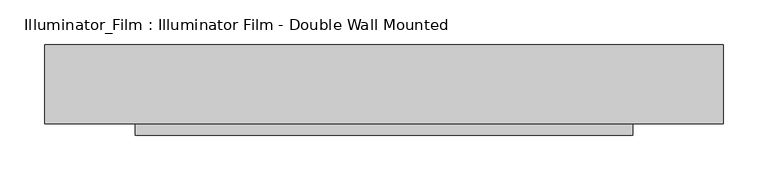
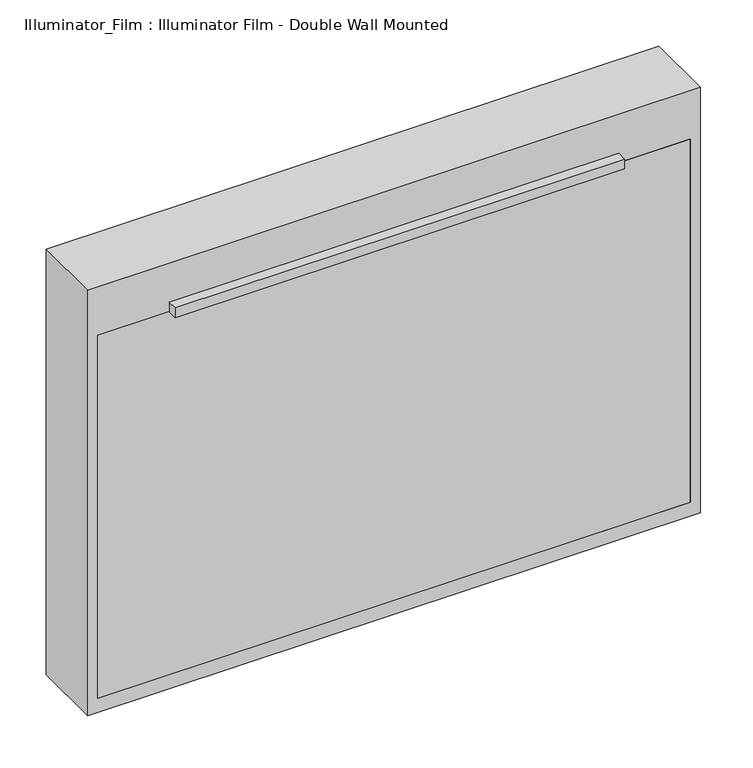
"""IFC4 building model written with IfcOpenShell, lengths in millimetres: proxy geometry, Illuminator_Film : Illuminator Film - Double Wall Mounted."""

import ifcopenshell
import ifcopenshell.guid

model = None  # the IFC model being written
_history = None  # IfcOwnerHistory: only IFC2X3 demands one
_inside = {}  # id of a spatial element -> (the spatial element, [elements in it])
_under = {}  # id of a project, library or spatial element -> (it, [spatial elements below it])
_declared = {}  # id of a project -> (the project, [libraries it declares])
_typed = {}  # id of a type object -> (the type object, [elements of that type])
_made_of = {}  # id of a material, layer set ... -> (it, [elements and type objects made of it])


def new_model(schema):
    """Start an empty IFC model of exactly this schema.

    Asked for "IFC4X3", IfcOpenShell would pick the latest addendum, in which some entities
    have other attributes; the version numbers below select the first issue.
    IFC2X3 requires an IfcOwnerHistory on every rooted entity: one is made here for all.
    """
    global model, _history
    if schema == "IFC4X3":
        model = ifcopenshell.file(schema_version=(4, 3, 0, 0))
    else:
        model = ifcopenshell.file(schema=schema)
    _inside.clear()
    _under.clear()
    _declared.clear()
    _typed.clear()
    _made_of.clear()
    _history = None
    if model.schema == "IFC2X3":
        org = make("IfcOrganization", Name="unknown")
        user = make(
            "IfcPersonAndOrganization",
            ThePerson=make("IfcPerson", FamilyName="unknown"),
            TheOrganization=org,
        )
        app = make(
            "IfcApplication",
            ApplicationDeveloper=org,
            Version="unknown",
            ApplicationFullName="unknown",
            ApplicationIdentifier="unknown",
        )
        _history = make(
            "IfcOwnerHistory",
            OwningUser=user,
            OwningApplication=app,
            ChangeAction="ADDED",
            CreationDate=0,
        )
    return model


def make(cls, **values):
    """One entity of the class cls with the attributes given. An attribute that is None is left unset."""
    return model.create_entity(
        cls, **{name: value for name, value in values.items() if value is not None}
    )


def rooted(cls, **values):
    """An entity with a GlobalId (a new one), such as an element, a storey or a relation."""
    return make(cls, GlobalId=ifcopenshell.guid.new(), OwnerHistory=_history, **values)


def si_unit(unit_type, name, prefix=None):
    """IfcSIUnit, for example si_unit("LENGTHUNIT", "METRE", prefix="MILLI")."""
    return make("IfcSIUnit", UnitType=unit_type, Prefix=prefix, Name=name)


def assignment(units):
    """IfcUnitAssignment: the units of a project."""
    return None if units is None else make("IfcUnitAssignment", Units=units)


def point(xyz):
    """IfcCartesianPoint."""
    return None if xyz is None else make("IfcCartesianPoint", Coordinates=xyz)


def direction(xyz):
    """IfcDirection."""
    return None if xyz is None else make("IfcDirection", DirectionRatios=xyz)


def frame(location, z_axis=None, x_axis=None):
    """IfcAxis2Placement3D, a coordinate frame: its origin and axes. An axis left out is left unset."""
    return make(
        "IfcAxis2Placement3D",
        Location=point(location),
        Axis=direction(z_axis),
        RefDirection=direction(x_axis),
    )


def origin():
    """The frame at (0, 0, 0) with its axes left unset."""
    return frame((0.0, 0.0, 0.0))


def place(relative_to, where):
    """IfcLocalPlacement: puts the frame where relative to a parent placement (None: the world)."""
    return make(
        "IfcLocalPlacement", PlacementRelTo=relative_to, RelativePlacement=where
    )


def context(
    kind, dimensions, precision=None, world=None, true_north=None, identifier=None
):
    """IfcGeometricRepresentationContext, for example the 3D "Model" context."""
    return make(
        "IfcGeometricRepresentationContext",
        ContextIdentifier=identifier,
        ContextType=kind,
        CoordinateSpaceDimension=dimensions,
        Precision=precision,
        WorldCoordinateSystem=world,
        TrueNorth=true_north,
    )


def project(units=None, contexts=None):
    """IfcProject with its units and contexts."""
    return rooted(
        "IfcProject",
        Name="project",
        RepresentationContexts=contexts,
        UnitsInContext=assignment(units),
    )


def spatial(cls, under=None, at=None, **own):
    """A site, building, storey or space (cls), placed at a placement, below another one or the project."""
    s = rooted(cls, ObjectPlacement=at, **own)
    if under is not None:
        _under.setdefault(under.id(), (under, []))[1].append(s)
    return s


def polyline(points):
    """IfcPolyline through the points."""
    return make("IfcPolyline", Points=[point(p) for p in points])


def outline(outer, holes=None, kind="AREA"):
    """IfcArbitraryClosedProfileDef: a profile drawn as a closed curve; with holes, ...WithVoids."""
    if holes is None:
        return make("IfcArbitraryClosedProfileDef", ProfileType=kind, OuterCurve=outer)
    return make(
        "IfcArbitraryProfileDefWithVoids",
        ProfileType=kind,
        OuterCurve=outer,
        InnerCurves=holes,
    )


def extrude(swept, where, along, depth):
    """IfcExtrudedAreaSolid: the profile swept, set in the frame where, extruded along a direction by depth."""
    return make(
        "IfcExtrudedAreaSolid",
        SweptArea=swept,
        Position=where,
        ExtrudedDirection=direction(along),
        Depth=depth,
    )


def shape(context_of_items, identifier, shape_type, items):
    """IfcShapeRepresentation: the items that make up one representation, for example the "Body"."""
    return make(
        "IfcShapeRepresentation",
        ContextOfItems=context_of_items,
        RepresentationIdentifier=identifier,
        RepresentationType=shape_type,
        Items=items,
    )


def source(mapping_origin, context_of_items, identifier, shape_type, items):
    """IfcRepresentationMap: a shape defined once, which mapped items show again and again."""
    return make(
        "IfcRepresentationMap",
        MappingOrigin=mapping_origin,
        MappedRepresentation=shape(context_of_items, identifier, shape_type, items),
    )


def transform(
    local_origin,
    x_axis=None,
    y_axis=None,
    z_axis=None,
    scale=None,
    scale2=None,
    scale3=None,
    uniform=True,
):
    """IfcCartesianTransformationOperator3D, or its non-uniform kind. x_axis, y_axis, z_axis: its Axis1, 2, 3."""
    if uniform:
        return make(
            "IfcCartesianTransformationOperator3D",
            Axis1=direction(x_axis),
            Axis2=direction(y_axis),
            LocalOrigin=point(local_origin),
            Scale=scale,
            Axis3=direction(z_axis),
        )
    return make(
        "IfcCartesianTransformationOperator3DnonUniform",
        Axis1=direction(x_axis),
        Axis2=direction(y_axis),
        LocalOrigin=point(local_origin),
        Scale=scale,
        Axis3=direction(z_axis),
        Scale2=scale2,
        Scale3=scale3,
    )


def mapped(mapping_source, mapping_target):
    """IfcMappedItem: shows the shape of a source again, moved by a transform."""
    return make(
        "IfcMappedItem", MappingSource=mapping_source, MappingTarget=mapping_target
    )


def made_of(thing, what):
    """Note that an element or type object is made of a material, layer set ...; save() writes the relation."""
    if what is not None:
        _made_of.setdefault(what.id(), (what, []))[1].append(thing)
    return thing


def element(
    cls,
    number,
    at=None,
    inside=None,
    cuts=None,
    type_object=None,
    material=None,
    context=None,
    identifier="Body",
    shape_type=None,
    held_by="IfcProductDefinitionShape",
    body=None,
    shapes=None,
    **own,
):
    """One element of the class cls, such as IfcWall. Its Tag is "e" and its number.

    at: its placement. inside: the storey or other place that contains it. cuts: it is an
    opening in that element (IfcRelVoidsElement). A single representation is given by context,
    identifier, shape_type and body (its items); several are given by shapes. held_by: the class
    of the entity that holds the representations. save() writes the other relations.
    """
    e = rooted(cls, Tag="e%d" % number, ObjectPlacement=at, **own)
    if body is not None:
        shapes = [shape(context, identifier, shape_type, body)]
    if shapes is not None:
        e.Representation = make(held_by, Representations=shapes)
    if inside is not None:
        _inside.setdefault(inside.id(), (inside, []))[1].append(e)
    if cuts is not None:
        rooted(
            "IfcRelVoidsElement", RelatingBuildingElement=cuts, RelatedOpeningElement=e
        )
    if type_object is not None:
        _typed.setdefault(type_object.id(), (type_object, []))[1].append(e)
    return made_of(e, material)


def aggregate(whole, parts):
    """IfcRelAggregates: a whole, such as a stair, and the parts it consists of."""
    return rooted("IfcRelAggregates", RelatingObject=whole, RelatedObjects=parts)


def save(model, path):
    """Write the relations noted so far, then the file.

    IfcRelAggregates (storeys below a building ...), IfcRelContainedInSpatialStructure (elements
    in a storey), IfcRelDefinesByType, IfcRelAssociatesMaterial and IfcRelDeclares: one each for
    every whole, place, type object, material and project.
    """
    for whole, parts in _under.values():
        aggregate(whole, parts)
    for where, things in _inside.values():
        rooted(
            "IfcRelContainedInSpatialStructure",
            RelatedElements=things,
            RelatingStructure=where,
        )
    for kind, things in _typed.values():
        rooted("IfcRelDefinesByType", RelatedObjects=things, RelatingType=kind)
    for what, things in _made_of.values():
        rooted("IfcRelAssociatesMaterial", RelatedObjects=things, RelatingMaterial=what)
    for by, libraries in _declared.values():
        rooted("IfcRelDeclares", RelatingContext=by, RelatedDefinitions=libraries)
    model.write(path)


def illuminator_film_illuminator_film_double_wall_mounted_a3cc93cc(model_context):
    return source(origin(), model_context, "Body", "SweptSolid", [
        extrude(outline(polyline([(279.4, -88.9), (279.4, -101.6), (-279.4, -101.6), (-279.4, -88.9), (279.4, -88.9)])), frame((0.0, 0.0, 495.3), z_axis=(0.0, 0.0, 1.0), x_axis=(1.0, 0.0, 0.0)), (0.0, 0.0, 1.0), 12.7),
        extrude(outline(polyline([(368.3, -88.9), (-368.3, -88.9), (-368.3, 0.0), (368.3, 0.0), (368.3, -88.9)])), frame((0.0, 0.0, 18.3452601), z_axis=(0.0, 0.0, 1.0), x_axis=(1.0, 0.0, 0.0)), (0.0, 0.0, 1.0), 476.9547399),
        extrude(outline(polyline([(0.0, 381.0), (558.8, 381.0), (558.8, -381.0), (0.0, -381.0), (0.0, 381.0)]), holes=[polyline([(18.3452601, 368.3), (18.3452601, -368.3), (495.3, -368.3), (495.3, 368.3), (18.3452601, 368.3)])]), frame((0.0, -88.9, 0.0), z_axis=(0.0, 1.0, 0.0), x_axis=(0.0, 0.0, 1.0)), (0.0, 0.0, 1.0), 88.9),
    ])


if __name__ == "__main__":
    model = new_model("IFC4")
    model_context = context("Model", 3, world=origin())
    ifc_project = project(units=[si_unit("LENGTHUNIT", "METRE", prefix="MILLI")], contexts=[model_context])
    site = spatial("IfcSite", under=ifc_project)
    building = spatial("IfcBuilding", under=site)
    placement = place(None, origin())
    illuminator_film_illuminator_film_double_wall_mounted_shape = illuminator_film_illuminator_film_double_wall_mounted_a3cc93cc(model_context)
    element("IfcBuildingElementProxy", 1, Name="Illuminator_Film : Illuminator Film - Double Wall Mounted", ObjectType="Illuminator_Film : Illuminator Film - Double Wall Mounted", at=placement, inside=building, context=model_context, shape_type="MappedRepresentation", body=[
        mapped(illuminator_film_illuminator_film_double_wall_mounted_shape, transform((0.0, 0.0, 0.0), x_axis=(1.0, 0.0, 0.0), y_axis=(0.0, 1.0, 0.0), z_axis=(0.0, 0.0, 1.0))),
    ])
    save(model, "model.ifc")
